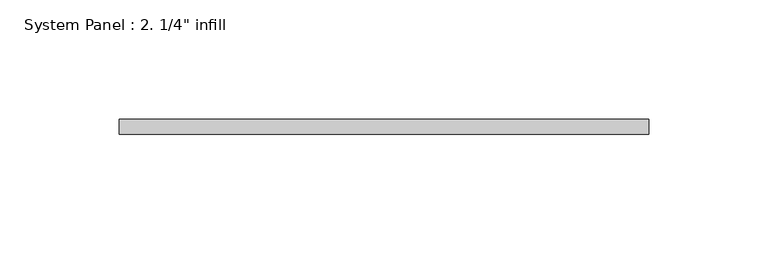
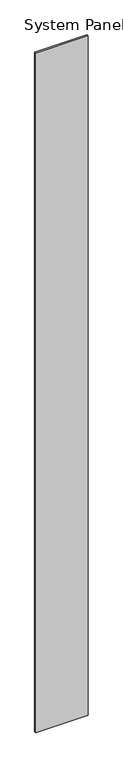
"""IFC4 building model written with IfcOpenShell, lengths in millimetres: plate geometry."""

from ifc_helpers import new_model, si_unit, origin, origin_with_axes, place, context, project, spatial, polyline, outline, extrude, source, transform, mapped, element, save


def plate_d85cfb8d(model_context):
    return source(origin(), model_context, "Body", "SweptSolid", [
        extrude(outline(polyline([(111.125, -6.35), (-111.125, -6.35), (-111.125, 0.0), (111.125, 0.0), (111.125, -6.35)])), origin_with_axes(), (0.0, 0.0, 1.0), 3048.0),
    ])


if __name__ == "__main__":
    model = new_model("IFC4")
    model_context = context("Model", 3, world=origin())
    ifc_project = project(units=[si_unit("LENGTHUNIT", "METRE", prefix="MILLI")], contexts=[model_context])
    site = spatial("IfcSite", under=ifc_project)
    building = spatial("IfcBuilding", under=site)
    placement = place(None, origin())
    plate_shape = plate_d85cfb8d(model_context)
    element("IfcPlate", 1, ObjectType="System Panel : 2. 1/4\" infill", at=placement, inside=building, context=model_context, shape_type="MappedRepresentation", body=[
        mapped(plate_shape, transform((0.0, 0.0, 0.0), x_axis=(1.0, 0.0, 0.0), y_axis=(0.0, 1.0, 0.0), z_axis=(0.0, 0.0, 1.0))),
    ])
    save(model, "model.ifc")
